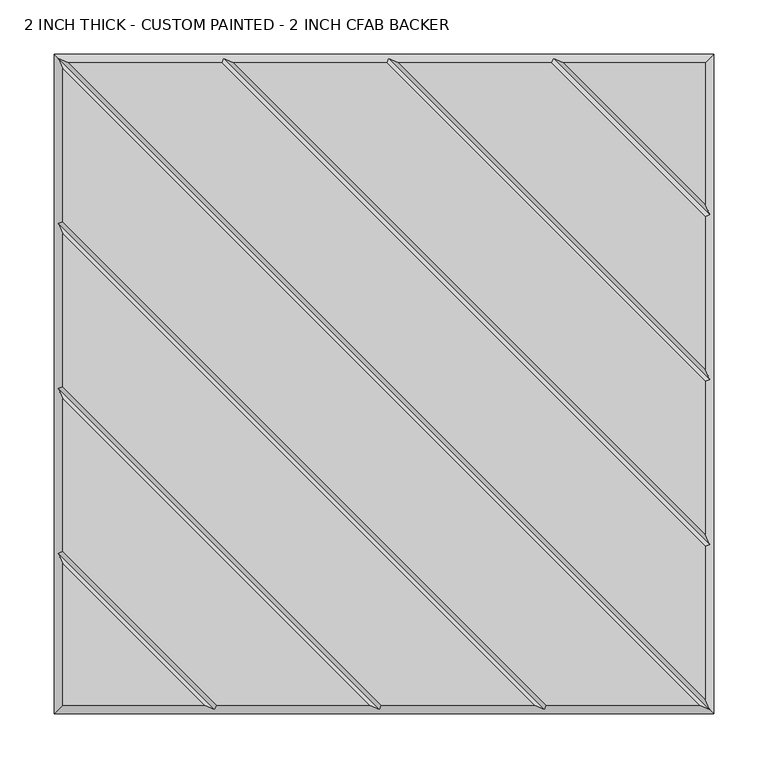
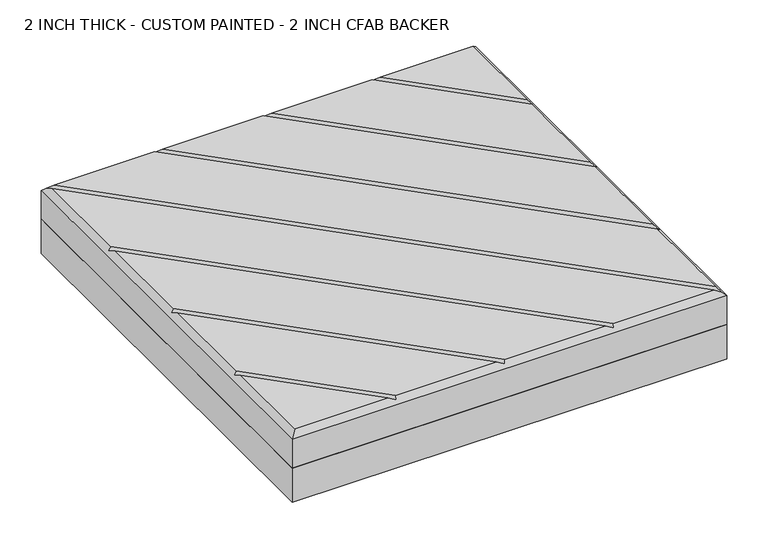
"""IFC4 building model written with IfcOpenShell, lengths in millimetres: proxy geometry, 2 INCH THICK - CUSTOM PAINTED - 2 INCH CFAB BACKER."""

from ifc_helpers import new_model, si_unit, frame, origin, place, context, project, spatial, polyline, outline, extrude, faceted_brep, source, transform, mapped, element, save


def proxy_2_inch_thick_custom_painted_2_inch_cfab_backer_ab7d10b7(model_context):
    return source(origin(), model_context, "Body", "SolidModel", [
        extrude(outline(polyline([(-304.8, 304.8), (304.8, 304.8), (304.8, -304.8), (-304.8, -304.8), (-304.8, 304.8)])), frame((0.0, 0.0, -50.8), z_axis=(0.0, 0.0, 1.0), x_axis=(1.0, 0.0, 0.0)), (0.0, 0.0, 1.0), 50.8),
        faceted_brep([(-291.1414386, 296.799, 50.8), (296.799, -291.1414386, 50.8), (296.799, -150.0565868, 50.8), (-150.0565868, 296.799, 50.8), (291.1414386, -296.799, 50.8), (-296.799, 291.1414386, 50.8), (-296.799, 150.0565868, 50.8), (150.0565868, -296.799, 50.8), (138.741464, -296.799, 50.8), (-296.799, 138.741464, 50.8), (-296.799, -2.3434132, 50.8), (-2.3434132, -296.799, 50.8), (-13.658536, -296.799, 50.8), (-296.799, -13.658536, 50.8), (-296.799, -154.7434132, 50.8), (-154.7434132, -296.799, 50.8), (-296.799, -166.058536, 50.8), (-296.799, -296.799, 50.8), (-166.058536, -296.799, 50.8), (-138.741464, 296.799, 50.8), (296.799, -138.741464, 50.8), (296.799, 2.3434132, 50.8), (2.3434132, 296.799, 50.8), (13.658536, 296.799, 50.8), (296.799, 13.658536, 50.8), (296.799, 154.7434132, 50.8), (154.7434132, 296.799, 50.8), (296.799, 296.799, 50.8), (166.058536, 296.799, 50.8), (296.799, 166.058536, 50.8), (-304.8, 304.8, 0.0), (304.8, 304.8, 0.0), (304.8, -304.8, 0.0), (-304.8, -304.8, 0.0), (-304.8, -304.8, 42.799), (-304.8, 304.8, 42.799), (304.8, -304.8, 42.799), (304.8, 304.8, 42.799), (-300.7995, 300.7995, 46.7995), (-148.3995254, 300.7995, 46.7995), (4.0004746, 300.7995, 46.7995), (156.4004746, 300.7995, 46.7995), (-300.7995, -156.4004746, 46.7995), (-300.7995, -4.0004746, 46.7995), (-300.7995, 148.3995254, 46.7995), (300.7995, -300.7995, 46.7995), (148.3995254, -300.7995, 46.7995), (-4.0004746, -300.7995, 46.7995), (-156.4004746, -300.7995, 46.7995), (300.7995, 156.4004746, 46.7995), (300.7995, 4.0004746, 46.7995), (300.7995, -148.3995254, 46.7995)], [[[0, 1, 2, 3]], [[4, 5, 6, 7]], [[8, 9, 10, 11]], [[12, 13, 14, 15]], [[16, 17, 18]], [[19, 20, 21, 22]], [[23, 24, 25, 26]], [[27, 28, 29]], [[30, 31, 32, 33]], [[30, 33, 34, 35]], [[33, 32, 36, 34]], [[32, 31, 37, 36]], [[31, 30, 35, 37]], [[27, 37, 35, 38, 0, 3, 39, 19, 22, 40, 23, 26, 41, 28]], [[34, 17, 16, 42, 14, 13, 43, 10, 9, 44, 6, 5, 38, 35]], [[17, 34, 36, 45, 4, 7, 46, 8, 11, 47, 12, 15, 48, 18]], [[37, 27, 29, 49, 25, 24, 50, 21, 20, 51, 2, 1, 45, 36]], [[38, 45, 1, 0]], [[45, 38, 5, 4]], [[44, 46, 7, 6]], [[46, 44, 9, 8]], [[43, 47, 11, 10]], [[47, 43, 13, 12]], [[42, 48, 15, 14]], [[48, 42, 16, 18]], [[51, 39, 3, 2]], [[39, 51, 20, 19]], [[50, 40, 22, 21]], [[40, 50, 24, 23]], [[49, 41, 26, 25]], [[41, 49, 29, 28]]]),
    ])


if __name__ == "__main__":
    model = new_model("IFC4")
    model_context = context("Model", 3, world=origin())
    ifc_project = project(units=[si_unit("LENGTHUNIT", "METRE", prefix="MILLI")], contexts=[model_context])
    site = spatial("IfcSite", under=ifc_project)
    building = spatial("IfcBuilding", under=site)
    placement = place(None, origin())
    proxy_2_inch_thick_custom_painted_2_inch_cfab_backer_shape = proxy_2_inch_thick_custom_painted_2_inch_cfab_backer_ab7d10b7(model_context)
    element("IfcBuildingElementProxy", 1, Name="2 INCH THICK - CUSTOM PAINTED - 2 INCH CFAB BACKER", ObjectType="2 INCH THICK - CUSTOM PAINTED - 2 INCH CFAB BACKER", at=placement, inside=building, context=model_context, shape_type="MappedRepresentation", body=[
        mapped(proxy_2_inch_thick_custom_painted_2_inch_cfab_backer_shape, transform((0.0, 0.0, 0.0), x_axis=(1.0, 0.0, 0.0), y_axis=(0.0, 1.0, 0.0), z_axis=(0.0, 0.0, 1.0))),
    ])
    save(model, "model.ifc")
